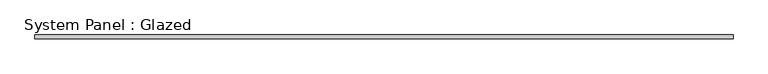
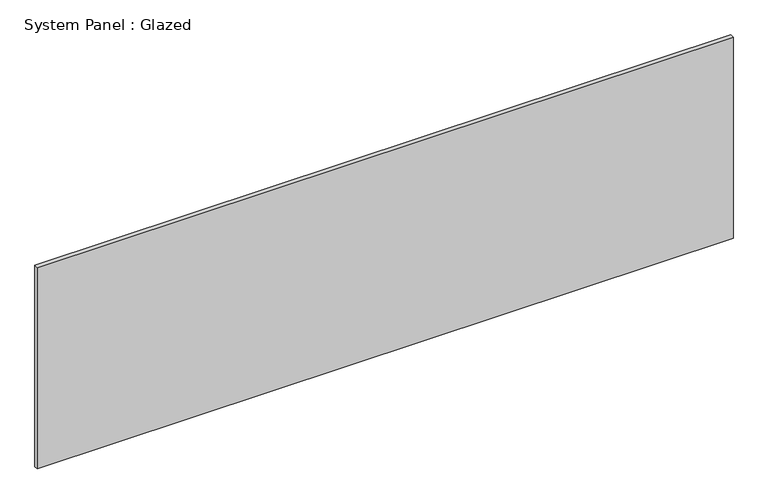
"""IFC4 building model written with IfcOpenShell, lengths in millimetres: plate geometry, System Panel : Glazed."""

import ifcopenshell
import ifcopenshell.guid

model = None  # the IFC model being written
_history = None  # IfcOwnerHistory: only IFC2X3 demands one
_inside = {}  # id of a spatial element -> (the spatial element, [elements in it])
_under = {}  # id of a project, library or spatial element -> (it, [spatial elements below it])
_declared = {}  # id of a project -> (the project, [libraries it declares])
_typed = {}  # id of a type object -> (the type object, [elements of that type])
_made_of = {}  # id of a material, layer set ... -> (it, [elements and type objects made of it])


def new_model(schema):
    """Start an empty IFC model of exactly this schema.

    Asked for "IFC4X3", IfcOpenShell would pick the latest addendum, in which some entities
    have other attributes; the version numbers below select the first issue.
    IFC2X3 requires an IfcOwnerHistory on every rooted entity: one is made here for all.
    """
    global model, _history
    if schema == "IFC4X3":
        model = ifcopenshell.file(schema_version=(4, 3, 0, 0))
    else:
        model = ifcopenshell.file(schema=schema)
    _inside.clear()
    _under.clear()
    _declared.clear()
    _typed.clear()
    _made_of.clear()
    _history = None
    if model.schema == "IFC2X3":
        org = make("IfcOrganization", Name="unknown")
        user = make(
            "IfcPersonAndOrganization",
            ThePerson=make("IfcPerson", FamilyName="unknown"),
            TheOrganization=org,
        )
        app = make(
            "IfcApplication",
            ApplicationDeveloper=org,
            Version="unknown",
            ApplicationFullName="unknown",
            ApplicationIdentifier="unknown",
        )
        _history = make(
            "IfcOwnerHistory",
            OwningUser=user,
            OwningApplication=app,
            ChangeAction="ADDED",
            CreationDate=0,
        )
    return model


def make(cls, **values):
    """One entity of the class cls with the attributes given. An attribute that is None is left unset."""
    return model.create_entity(
        cls, **{name: value for name, value in values.items() if value is not None}
    )


def rooted(cls, **values):
    """An entity with a GlobalId (a new one), such as an element, a storey or a relation."""
    return make(cls, GlobalId=ifcopenshell.guid.new(), OwnerHistory=_history, **values)


def si_unit(unit_type, name, prefix=None):
    """IfcSIUnit, for example si_unit("LENGTHUNIT", "METRE", prefix="MILLI")."""
    return make("IfcSIUnit", UnitType=unit_type, Prefix=prefix, Name=name)


def assignment(units):
    """IfcUnitAssignment: the units of a project."""
    return None if units is None else make("IfcUnitAssignment", Units=units)


def point(xyz):
    """IfcCartesianPoint."""
    return None if xyz is None else make("IfcCartesianPoint", Coordinates=xyz)


def direction(xyz):
    """IfcDirection."""
    return None if xyz is None else make("IfcDirection", DirectionRatios=xyz)


def frame(location, z_axis=None, x_axis=None):
    """IfcAxis2Placement3D, a coordinate frame: its origin and axes. An axis left out is left unset."""
    return make(
        "IfcAxis2Placement3D",
        Location=point(location),
        Axis=direction(z_axis),
        RefDirection=direction(x_axis),
    )


def origin():
    """The frame at (0, 0, 0) with its axes left unset."""
    return frame((0.0, 0.0, 0.0))


def origin_with_axes():
    """The frame at (0, 0, 0) with the z axis (0, 0, 1) and the x axis (1, 0, 0) written out."""
    return frame((0.0, 0.0, 0.0), z_axis=(0.0, 0.0, 1.0), x_axis=(1.0, 0.0, 0.0))


def place(relative_to, where):
    """IfcLocalPlacement: puts the frame where relative to a parent placement (None: the world)."""
    return make(
        "IfcLocalPlacement", PlacementRelTo=relative_to, RelativePlacement=where
    )


def context(
    kind, dimensions, precision=None, world=None, true_north=None, identifier=None
):
    """IfcGeometricRepresentationContext, for example the 3D "Model" context."""
    return make(
        "IfcGeometricRepresentationContext",
        ContextIdentifier=identifier,
        ContextType=kind,
        CoordinateSpaceDimension=dimensions,
        Precision=precision,
        WorldCoordinateSystem=world,
        TrueNorth=true_north,
    )


def project(units=None, contexts=None):
    """IfcProject with its units and contexts."""
    return rooted(
        "IfcProject",
        Name="project",
        RepresentationContexts=contexts,
        UnitsInContext=assignment(units),
    )


def spatial(cls, under=None, at=None, **own):
    """A site, building, storey or space (cls), placed at a placement, below another one or the project."""
    s = rooted(cls, ObjectPlacement=at, **own)
    if under is not None:
        _under.setdefault(under.id(), (under, []))[1].append(s)
    return s


def polyline(points):
    """IfcPolyline through the points."""
    return make("IfcPolyline", Points=[point(p) for p in points])


def outline(outer, holes=None, kind="AREA"):
    """IfcArbitraryClosedProfileDef: a profile drawn as a closed curve; with holes, ...WithVoids."""
    if holes is None:
        return make("IfcArbitraryClosedProfileDef", ProfileType=kind, OuterCurve=outer)
    return make(
        "IfcArbitraryProfileDefWithVoids",
        ProfileType=kind,
        OuterCurve=outer,
        InnerCurves=holes,
    )


def extrude(swept, where, along, depth):
    """IfcExtrudedAreaSolid: the profile swept, set in the frame where, extruded along a direction by depth."""
    return make(
        "IfcExtrudedAreaSolid",
        SweptArea=swept,
        Position=where,
        ExtrudedDirection=direction(along),
        Depth=depth,
    )


def shape(context_of_items, identifier, shape_type, items):
    """IfcShapeRepresentation: the items that make up one representation, for example the "Body"."""
    return make(
        "IfcShapeRepresentation",
        ContextOfItems=context_of_items,
        RepresentationIdentifier=identifier,
        RepresentationType=shape_type,
        Items=items,
    )


def source(mapping_origin, context_of_items, identifier, shape_type, items):
    """IfcRepresentationMap: a shape defined once, which mapped items show again and again."""
    return make(
        "IfcRepresentationMap",
        MappingOrigin=mapping_origin,
        MappedRepresentation=shape(context_of_items, identifier, shape_type, items),
    )


def transform(
    local_origin,
    x_axis=None,
    y_axis=None,
    z_axis=None,
    scale=None,
    scale2=None,
    scale3=None,
    uniform=True,
):
    """IfcCartesianTransformationOperator3D, or its non-uniform kind. x_axis, y_axis, z_axis: its Axis1, 2, 3."""
    if uniform:
        return make(
            "IfcCartesianTransformationOperator3D",
            Axis1=direction(x_axis),
            Axis2=direction(y_axis),
            LocalOrigin=point(local_origin),
            Scale=scale,
            Axis3=direction(z_axis),
        )
    return make(
        "IfcCartesianTransformationOperator3DnonUniform",
        Axis1=direction(x_axis),
        Axis2=direction(y_axis),
        LocalOrigin=point(local_origin),
        Scale=scale,
        Axis3=direction(z_axis),
        Scale2=scale2,
        Scale3=scale3,
    )


def mapped(mapping_source, mapping_target):
    """IfcMappedItem: shows the shape of a source again, moved by a transform."""
    return make(
        "IfcMappedItem", MappingSource=mapping_source, MappingTarget=mapping_target
    )


def made_of(thing, what):
    """Note that an element or type object is made of a material, layer set ...; save() writes the relation."""
    if what is not None:
        _made_of.setdefault(what.id(), (what, []))[1].append(thing)
    return thing


def element(
    cls,
    number,
    at=None,
    inside=None,
    cuts=None,
    type_object=None,
    material=None,
    context=None,
    identifier="Body",
    shape_type=None,
    held_by="IfcProductDefinitionShape",
    body=None,
    shapes=None,
    **own,
):
    """One element of the class cls, such as IfcWall. Its Tag is "e" and its number.

    at: its placement. inside: the storey or other place that contains it. cuts: it is an
    opening in that element (IfcRelVoidsElement). A single representation is given by context,
    identifier, shape_type and body (its items); several are given by shapes. held_by: the class
    of the entity that holds the representations. save() writes the other relations.
    """
    e = rooted(cls, Tag="e%d" % number, ObjectPlacement=at, **own)
    if body is not None:
        shapes = [shape(context, identifier, shape_type, body)]
    if shapes is not None:
        e.Representation = make(held_by, Representations=shapes)
    if inside is not None:
        _inside.setdefault(inside.id(), (inside, []))[1].append(e)
    if cuts is not None:
        rooted(
            "IfcRelVoidsElement", RelatingBuildingElement=cuts, RelatedOpeningElement=e
        )
    if type_object is not None:
        _typed.setdefault(type_object.id(), (type_object, []))[1].append(e)
    return made_of(e, material)


def aggregate(whole, parts):
    """IfcRelAggregates: a whole, such as a stair, and the parts it consists of."""
    return rooted("IfcRelAggregates", RelatingObject=whole, RelatedObjects=parts)


def save(model, path):
    """Write the relations noted so far, then the file.

    IfcRelAggregates (storeys below a building ...), IfcRelContainedInSpatialStructure (elements
    in a storey), IfcRelDefinesByType, IfcRelAssociatesMaterial and IfcRelDeclares: one each for
    every whole, place, type object, material and project.
    """
    for whole, parts in _under.values():
        aggregate(whole, parts)
    for where, things in _inside.values():
        rooted(
            "IfcRelContainedInSpatialStructure",
            RelatedElements=things,
            RelatingStructure=where,
        )
    for kind, things in _typed.values():
        rooted("IfcRelDefinesByType", RelatedObjects=things, RelatingType=kind)
    for what, things in _made_of.values():
        rooted("IfcRelAssociatesMaterial", RelatedObjects=things, RelatingMaterial=what)
    for by, libraries in _declared.values():
        rooted("IfcRelDeclares", RelatingContext=by, RelatedDefinitions=libraries)
    model.write(path)


def system_panel_glazed_dbd6f79d(model_context):
    return source(origin(), model_context, "Body", "SweptSolid", [
        extrude(outline(polyline([(2390.775, 19.05), (-2390.775, 19.05), (-2390.775, 44.45), (2390.775, 44.45), (2390.775, 19.05)])), origin_with_axes(), (0.0, 0.0, 1.0), 1460.5),
    ])


if __name__ == "__main__":
    model = new_model("IFC4")
    model_context = context("Model", 3, world=origin())
    ifc_project = project(units=[si_unit("LENGTHUNIT", "METRE", prefix="MILLI")], contexts=[model_context])
    site = spatial("IfcSite", under=ifc_project)
    building = spatial("IfcBuilding", under=site)
    placement = place(None, origin())
    system_panel_glazed_shape = system_panel_glazed_dbd6f79d(model_context)
    element("IfcPlate", 1, ObjectType="System Panel : Glazed", at=placement, inside=building, context=model_context, shape_type="MappedRepresentation", body=[
        mapped(system_panel_glazed_shape, transform((0.0, 0.0, 0.0), x_axis=(1.0, 0.0, 0.0), y_axis=(0.0, 1.0, 0.0), z_axis=(0.0, 0.0, 1.0))),
    ])
    save(model, "model.ifc")
